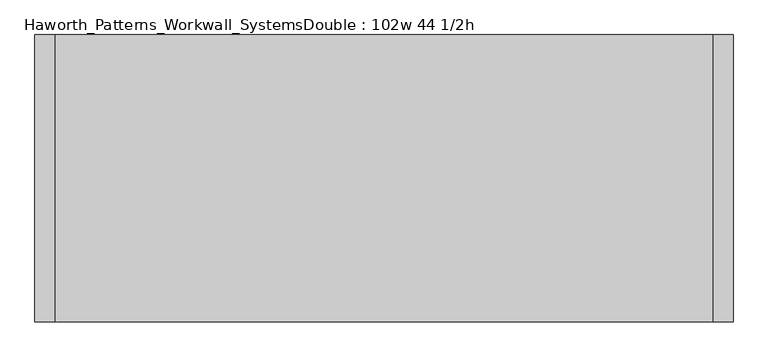
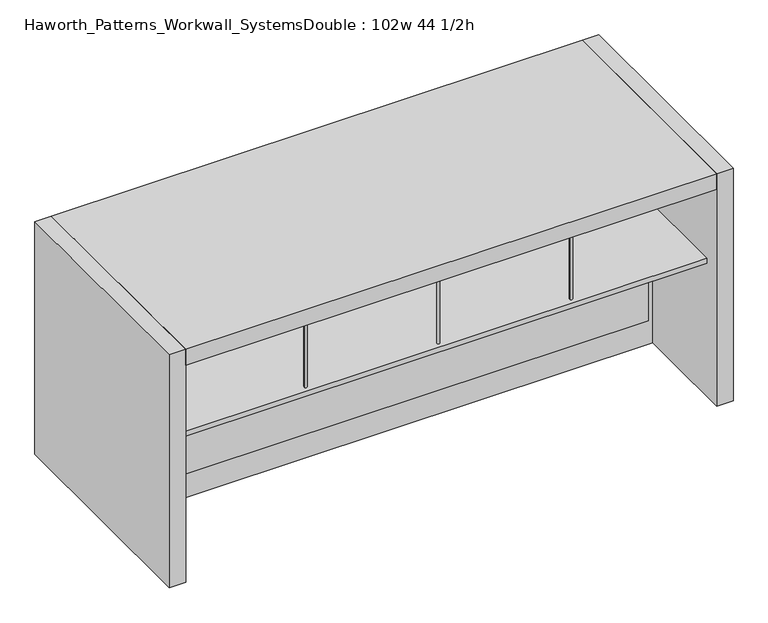
"""IFC4 building model written with IfcOpenShell, lengths in millimetres: furniture geometry, Haworth_Patterns_Workwall_SystemsDouble : 102w 44 1/2h."""

from ifc_helpers import new_model, si_unit, point, frame, frame_2d, origin, origin_with_axes, place, context, project, spatial, polyline, circle_curve, trimmed, segment, composite_curve, outline, extrude, source, transform, mapped, element, save


def haworth_patterns_workwall_systemsdouble_102w_44_1_2h_c0026aa6(model_context):
    return source(origin(), model_context, "Body", "SweptSolid", [
        extrude(outline(composite_curve([segment(trimmed(circle_curve(frame_2d((-609.6, 787.4)), 6.35), [point((-603.25, 787.4))], [point((-615.95, 787.4))], False, "CARTESIAN"), True, "CONTINUOUS"), segment(trimmed(circle_curve(frame_2d((-609.6, 787.4)), 6.35), [point((-615.95, 787.4))], [point((-603.25, 787.4))], False, "CARTESIAN"), True, "CONTINUOUS")], self_intersect=False)), frame((0.0, 0.0, 673.1), z_axis=(0.0, 0.0, 1.0), x_axis=(1.0, 0.0, 0.0)), (0.0, 0.0, 1.0), 381.0),
        extrude(outline(composite_curve([segment(trimmed(circle_curve(frame_2d((-609.6, 406.4)), 6.35), [point((-603.25, 406.4))], [point((-615.95, 406.4))], False, "CARTESIAN"), True, "CONTINUOUS"), segment(trimmed(circle_curve(frame_2d((-609.6, 406.4)), 6.35), [point((-615.95, 406.4))], [point((-603.25, 406.4))], False, "CARTESIAN"), True, "CONTINUOUS")], self_intersect=False)), frame((0.0, 0.0, 673.1), z_axis=(0.0, 0.0, 1.0), x_axis=(1.0, 0.0, 0.0)), (0.0, 0.0, 1.0), 381.0),
        extrude(outline(composite_curve([segment(trimmed(circle_curve(frame_2d((-1219.2, 787.4)), 6.35), [point((-1212.85, 787.4))], [point((-1225.55, 787.4))], False, "CARTESIAN"), True, "CONTINUOUS"), segment(trimmed(circle_curve(frame_2d((-1219.2, 787.4)), 6.35), [point((-1225.55, 787.4))], [point((-1212.85, 787.4))], False, "CARTESIAN"), True, "CONTINUOUS")], self_intersect=False)), frame((0.0, 0.0, 673.1), z_axis=(0.0, 0.0, 1.0), x_axis=(1.0, 0.0, 0.0)), (0.0, 0.0, 1.0), 381.0),
        extrude(outline(composite_curve([segment(trimmed(circle_curve(frame_2d((-1219.2, 406.4)), 6.35), [point((-1212.85, 406.4))], [point((-1225.55, 406.4))], False, "CARTESIAN"), True, "CONTINUOUS"), segment(trimmed(circle_curve(frame_2d((-1219.2, 406.4)), 6.35), [point((-1225.55, 406.4))], [point((-1212.85, 406.4))], False, "CARTESIAN"), True, "CONTINUOUS")], self_intersect=False)), frame((0.0, 0.0, 673.1), z_axis=(0.0, 0.0, 1.0), x_axis=(1.0, 0.0, 0.0)), (0.0, 0.0, 1.0), 381.0),
        extrude(outline(composite_curve([segment(trimmed(circle_curve(frame_2d((0.0, 787.4)), 6.35), [point((6.35, 787.4))], [point((-6.35, 787.4))], False, "CARTESIAN"), True, "CONTINUOUS"), segment(trimmed(circle_curve(frame_2d((0.0, 787.4)), 6.35), [point((-6.35, 787.4))], [point((6.35, 787.4))], False, "CARTESIAN"), True, "CONTINUOUS")], self_intersect=False)), frame((0.0, 0.0, 673.1), z_axis=(0.0, 0.0, 1.0), x_axis=(1.0, 0.0, 0.0)), (0.0, 0.0, 1.0), 381.0),
        extrude(outline(composite_curve([segment(trimmed(circle_curve(frame_2d((0.0, 406.4)), 6.35), [point((6.35, 406.4))], [point((-6.35, 406.4))], False, "CARTESIAN"), True, "CONTINUOUS"), segment(trimmed(circle_curve(frame_2d((0.0, 406.4)), 6.35), [point((-6.35, 406.4))], [point((6.35, 406.4))], False, "CARTESIAN"), True, "CONTINUOUS")], self_intersect=False)), frame((0.0, 0.0, 673.1), z_axis=(0.0, 0.0, 1.0), x_axis=(1.0, 0.0, 0.0)), (0.0, 0.0, 1.0), 381.0),
        extrude(outline(polyline([(-1828.8, 381.0), (-1828.8, 812.8), (609.6, 812.8), (609.6, 381.0), (-1828.8, 381.0)])), frame((0.0, 0.0, 647.7), z_axis=(0.0, 0.0, 1.0), x_axis=(1.0, 0.0, 0.0)), (0.0, 0.0, 1.0), 25.4),
        extrude(outline(polyline([(-609.6, 333.375), (-1828.8, 333.375), (-1828.8, 352.425), (-609.6, 352.425), (-609.6, 333.375)])), frame((0.0, 0.0, 635.0), z_axis=(0.0, 0.0, 1.0), x_axis=(1.0, 0.0, 0.0)), (0.0, 0.0, 1.0), 419.1),
        extrude(outline(polyline([(609.6, 333.375), (-609.6, 333.375), (-609.6, 352.425), (609.6, 352.425), (609.6, 333.375)])), frame((0.0, 0.0, 635.0), z_axis=(0.0, 0.0, 1.0), x_axis=(1.0, 0.0, 0.0)), (0.0, 0.0, 1.0), 419.1),
        extrude(outline(composite_curve([segment(trimmed(circle_curve(frame_2d((-609.6, -76.2)), 6.35), [point((-615.95, -76.2))], [point((-603.25, -76.2))], False, "CARTESIAN"), True, "CONTINUOUS"), segment(trimmed(circle_curve(frame_2d((-609.6, -76.2)), 6.35), [point((-603.25, -76.2))], [point((-615.95, -76.2))], False, "CARTESIAN"), True, "CONTINUOUS")], self_intersect=False)), frame((0.0, 0.0, 673.1), z_axis=(0.0, 0.0, 1.0), x_axis=(1.0, 0.0, 0.0)), (0.0, 0.0, 1.0), 381.0),
        extrude(outline(composite_curve([segment(trimmed(circle_curve(frame_2d((-609.6, 304.8)), 6.35), [point((-615.95, 304.8))], [point((-603.25, 304.8))], False, "CARTESIAN"), True, "CONTINUOUS"), segment(trimmed(circle_curve(frame_2d((-609.6, 304.8)), 6.35), [point((-603.25, 304.8))], [point((-615.95, 304.8))], False, "CARTESIAN"), True, "CONTINUOUS")], self_intersect=False)), frame((0.0, 0.0, 673.1), z_axis=(0.0, 0.0, 1.0), x_axis=(1.0, 0.0, 0.0)), (0.0, 0.0, 1.0), 381.0),
        extrude(outline(composite_curve([segment(trimmed(circle_curve(frame_2d((0.0, -76.2)), 6.35), [point((-6.35, -76.2))], [point((6.35, -76.2))], False, "CARTESIAN"), True, "CONTINUOUS"), segment(trimmed(circle_curve(frame_2d((0.0, -76.2)), 6.35), [point((6.35, -76.2))], [point((-6.35, -76.2))], False, "CARTESIAN"), True, "CONTINUOUS")], self_intersect=False)), frame((0.0, 0.0, 673.1), z_axis=(0.0, 0.0, 1.0), x_axis=(1.0, 0.0, 0.0)), (0.0, 0.0, 1.0), 381.0),
        extrude(outline(composite_curve([segment(trimmed(circle_curve(frame_2d((0.0, 304.8)), 6.35), [point((-6.35, 304.8))], [point((6.35, 304.8))], False, "CARTESIAN"), True, "CONTINUOUS"), segment(trimmed(circle_curve(frame_2d((0.0, 304.8)), 6.35), [point((6.35, 304.8))], [point((-6.35, 304.8))], False, "CARTESIAN"), True, "CONTINUOUS")], self_intersect=False)), frame((0.0, 0.0, 673.1), z_axis=(0.0, 0.0, 1.0), x_axis=(1.0, 0.0, 0.0)), (0.0, 0.0, 1.0), 381.0),
        extrude(outline(composite_curve([segment(trimmed(circle_curve(frame_2d((-1219.2, -76.2)), 6.35), [point((-1225.55, -76.2))], [point((-1212.85, -76.2))], False, "CARTESIAN"), True, "CONTINUOUS"), segment(trimmed(circle_curve(frame_2d((-1219.2, -76.2)), 6.35), [point((-1212.85, -76.2))], [point((-1225.55, -76.2))], False, "CARTESIAN"), True, "CONTINUOUS")], self_intersect=False)), frame((0.0, 0.0, 673.1), z_axis=(0.0, 0.0, 1.0), x_axis=(1.0, 0.0, 0.0)), (0.0, 0.0, 1.0), 381.0),
        extrude(outline(composite_curve([segment(trimmed(circle_curve(frame_2d((-1219.2, 304.8)), 6.35), [point((-1225.55, 304.8))], [point((-1212.85, 304.8))], False, "CARTESIAN"), True, "CONTINUOUS"), segment(trimmed(circle_curve(frame_2d((-1219.2, 304.8)), 6.35), [point((-1212.85, 304.8))], [point((-1225.55, 304.8))], False, "CARTESIAN"), True, "CONTINUOUS")], self_intersect=False)), frame((0.0, 0.0, 673.1), z_axis=(0.0, 0.0, 1.0), x_axis=(1.0, 0.0, 0.0)), (0.0, 0.0, 1.0), 381.0),
        extrude(outline(polyline([(609.6, 330.2), (609.6, -101.6), (-1828.8, -101.6), (-1828.8, 330.2), (609.6, 330.2)])), frame((0.0, 0.0, 647.7), z_axis=(0.0, 0.0, 1.0), x_axis=(1.0, 0.0, 0.0)), (0.0, 0.0, 1.0), 25.4),
        extrude(outline(polyline([(1054.1, 609.6), (1054.1, -1828.8), (635.0, -1828.8), (635.0, 609.6), (1054.1, 609.6)]), holes=[polyline([(1035.05, 590.55), (654.05, 590.55), (654.05, -1809.75), (1035.05, -1809.75), (1035.05, 590.55)])]), frame((0.0, 330.2, 0.0), z_axis=(0.0, 1.0, 0.0), x_axis=(0.0, 0.0, 1.0)), (0.0, 0.0, 1.0), 25.4),
        extrude(outline(polyline([(590.55, 330.2), (-1809.75, 330.2), (-1809.75, 355.6), (590.55, 355.6), (590.55, 330.2)])), frame((0.0, 0.0, 114.3), z_axis=(0.0, 0.0, 1.0), x_axis=(1.0, 0.0, 0.0)), (0.0, 0.0, 1.0), 495.3),
        extrude(outline(polyline([(635.0, 609.6), (635.0, -1828.8), (0.0, -1828.8), (0.0, 609.6), (635.0, 609.6)]), holes=[polyline([(609.6, 590.55), (114.3, 590.55), (114.3, -1809.75), (609.6, -1809.75), (609.6, 590.55)])]), frame((0.0, 330.2, 0.0), z_axis=(0.0, 1.0, 0.0), x_axis=(0.0, 0.0, 1.0)), (0.0, 0.0, 1.0), 25.4),
        extrude(outline(polyline([(609.6, -177.8), (-1828.8, -177.8), (-1828.8, 889.0), (609.6, 889.0), (609.6, -177.8)])), frame((0.0, 0.0, 1054.1), z_axis=(0.0, 0.0, 1.0), x_axis=(1.0, 0.0, 0.0)), (0.0, 0.0, 1.0), 76.2),
        extrude(outline(polyline([(685.8, 889.0), (685.8, -177.8), (609.6, -177.8), (609.6, 889.0), (685.8, 889.0)])), origin_with_axes(), (0.0, 0.0, 1.0), 1130.3),
        extrude(outline(polyline([(-1828.8, 889.0), (-1828.8, -177.8), (-1905.0, -177.8), (-1905.0, 889.0), (-1828.8, 889.0)])), origin_with_axes(), (0.0, 0.0, 1.0), 1130.3),
    ])


if __name__ == "__main__":
    model = new_model("IFC4")
    model_context = context("Model", 3, world=origin())
    ifc_project = project(units=[si_unit("LENGTHUNIT", "METRE", prefix="MILLI")], contexts=[model_context])
    site = spatial("IfcSite", under=ifc_project)
    building = spatial("IfcBuilding", under=site)
    placement = place(None, origin())
    haworth_patterns_workwall_systemsdouble_102w_44_1_2h_shape = haworth_patterns_workwall_systemsdouble_102w_44_1_2h_c0026aa6(model_context)
    element("IfcFurniture", 1, ObjectType="Haworth_Patterns_Workwall_SystemsDouble : 102w 44 1/2h", at=placement, inside=building, context=model_context, shape_type="MappedRepresentation", body=[
        mapped(haworth_patterns_workwall_systemsdouble_102w_44_1_2h_shape, transform((0.0, 0.0, 0.0), x_axis=(1.0, 0.0, 0.0), y_axis=(0.0, 1.0, 0.0), z_axis=(0.0, 0.0, 1.0))),
    ])
    save(model, "model.ifc")
